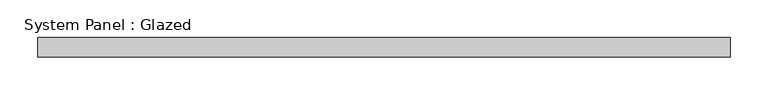
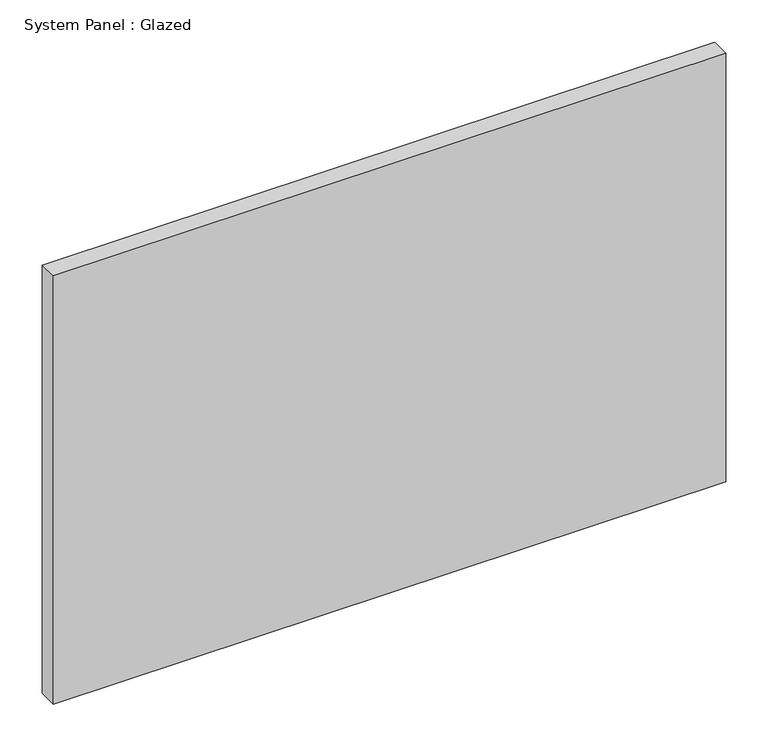
"""IFC4 building model written with IfcOpenShell, lengths in millimetres: plate geometry, System Panel : Glazed."""

from ifc_helpers import new_model, si_unit, origin, origin_with_axes, place, context, project, spatial, polyline, outline, extrude, source, transform, mapped, element, save


def system_panel_glazed_84c36aa7(model_context):
    return source(origin(), model_context, "Body", "SweptSolid", [
        extrude(outline(polyline([(457.2, -44.45), (-457.2, -44.45), (-457.2, -19.05), (457.2, -19.05), (457.2, -44.45)])), origin_with_axes(), (0.0, 0.0, 1.0), 615.95),
    ])


if __name__ == "__main__":
    model = new_model("IFC4")
    model_context = context("Model", 3, world=origin())
    ifc_project = project(units=[si_unit("LENGTHUNIT", "METRE", prefix="MILLI")], contexts=[model_context])
    site = spatial("IfcSite", under=ifc_project)
    building = spatial("IfcBuilding", under=site)
    placement = place(None, origin())
    system_panel_glazed_shape = system_panel_glazed_84c36aa7(model_context)
    element("IfcPlate", 1, ObjectType="System Panel : Glazed", at=placement, inside=building, context=model_context, shape_type="MappedRepresentation", body=[
        mapped(system_panel_glazed_shape, transform((0.0, 0.0, 0.0), x_axis=(1.0, 0.0, 0.0), y_axis=(0.0, 1.0, 0.0), z_axis=(0.0, 0.0, 1.0))),
    ])
    save(model, "model.ifc")
